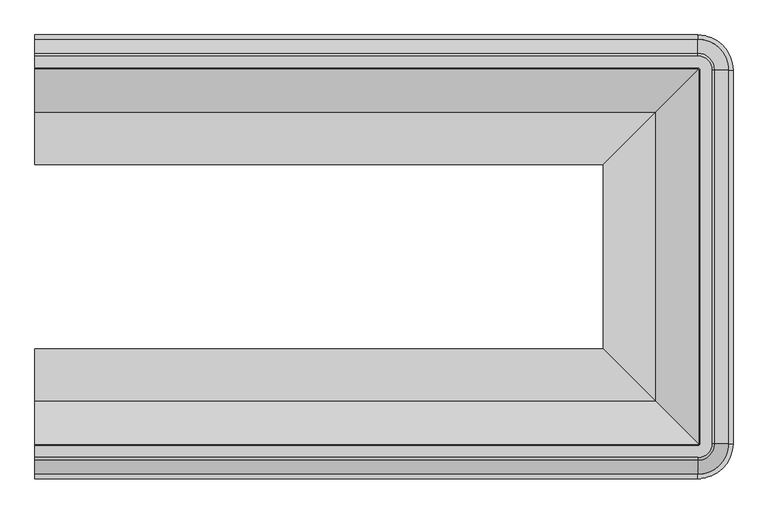
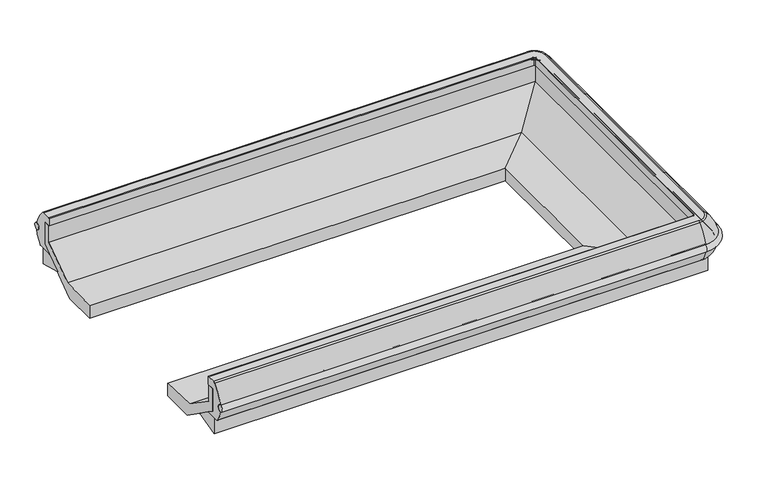
"""IFC4 building model written with IfcOpenShell, lengths in millimetres: proxy geometry."""

from ifc_helpers import new_model, si_unit, point, frame, origin, place, context, project, spatial, polyline, circle_curve, ellipse_curve, trimmed, faceted_brep, source, transform, mapped, element, save
from ifc_brep_helpers import plane_surface, cylinder_surface, revolved_surface, advanced_brep


def mechanical_equipment_5f012815(model_context):
    return source(origin(), model_context, "Body", "SolidModel", [
        advanced_brep(
        [(0.0, -364.6063208, 602.1833335), (0.0, -367.261694, 567.3111181), (2432.1002227, -364.6063208, 602.1833335), (2432.1002227, -367.261694, 567.3111181), (2542.3829333, -477.5444046, 567.3111181), (2545.0383065, -477.5444046, 602.1833335), (2545.0383065, -1849.24485, 602.1833335), (2542.3829333, -1849.24485, 567.3111181), (2432.1002227, -1959.5275606, 567.3111181), (2432.1002227, -1962.1829338, 602.1833335), (0.0, -1962.1829338, 602.1833335), (0.0, -1959.5275606, 567.3111181)],
        [
            (0, 1, circle_curve(frame((0.0, -366.1293194, 584.762098), z_axis=(-1.0, 0.0, 0.0), x_axis=(0.0, 1.0, 0.0)), 17.4876806)),
            (1, 0, circle_curve(frame((0.0, -366.2319692, 584.7699144), z_axis=(-1.0, 0.0, 0.0), x_axis=(0.0, 1.0, 0.0)), 17.4891366)),
            (0, 2),
            (2, 3, circle_curve(frame((2432.1002227, -366.1293194, 584.762098), z_axis=(-1.0, 0.0, 0.0), x_axis=(0.0, 1.0, 0.0)), 17.4876806)),
            (3, 1),
            (3, 2, circle_curve(frame((2432.1002227, -366.2319692, 584.7699144), z_axis=(-1.0, 0.0, 0.0), x_axis=(0.0, 1.0, 0.0)), 17.4891366)),
            (4, 3, circle_curve(frame((2432.1002227, -477.5444046, 567.3111181), z_axis=(0.0, 0.0, 1.0), x_axis=(0.0, 1.0, 0.0)), 110.2827105)),
            (2, 5, circle_curve(frame((2432.1002227, -477.5444046, 602.1833335), z_axis=(0.0, 0.0, -1.0), x_axis=(0.0, 1.0, 0.0)), 112.9380838)),
            (5, 4, circle_curve(frame((2543.5153079, -477.5444046, 584.762098), z_axis=(0.0, 1.0, 0.0), x_axis=(1.0, 0.0, 0.0)), 17.4876806)),
            (4, 5, circle_curve(frame((2543.4126581, -477.5444046, 584.7699144), z_axis=(0.0, 1.0, 0.0), x_axis=(1.0, 0.0, 0.0)), 17.4891366)),
            (5, 6),
            (6, 7, circle_curve(frame((2543.5153079, -1849.24485, 584.762098), z_axis=(0.0, 1.0, 0.0), x_axis=(1.0, 0.0, 0.0)), 17.4876806)),
            (7, 4),
            (7, 6, circle_curve(frame((2543.4126581, -1849.24485, 584.7699144), z_axis=(0.0, 1.0, 0.0), x_axis=(1.0, 0.0, 0.0)), 17.4891366)),
            (8, 7, circle_curve(frame((2432.1002227, -1849.24485, 567.3111181), z_axis=(0.0, 0.0, 1.0), x_axis=(1.0, 0.0, 0.0)), 110.2827105)),
            (6, 9, circle_curve(frame((2432.1002227, -1849.24485, 602.1833335), z_axis=(0.0, 0.0, -1.0), x_axis=(1.0, 0.0, 0.0)), 112.9380838)),
            (9, 8, circle_curve(frame((2432.1002227, -1960.6599352, 584.762098), z_axis=(1.0, 0.0, 0.0), x_axis=(0.0, -1.0, 0.0)), 17.4876806)),
            (8, 9, circle_curve(frame((2432.1002227, -1960.5572854, 584.7699144), z_axis=(1.0, 0.0, 0.0), x_axis=(0.0, -1.0, 0.0)), 17.4891366)),
            (10, 11, circle_curve(frame((0.0, -1960.5572854, 584.7699144), z_axis=(-1.0, 0.0, 0.0), x_axis=(0.0, -1.0, 0.0)), 17.4891366)),
            (11, 10, circle_curve(frame((0.0, -1960.6599352, 584.762098), z_axis=(-1.0, 0.0, 0.0), x_axis=(0.0, -1.0, 0.0)), 17.4876806)),
            (9, 10),
            (11, 8),
        ],
        [
            plane_surface(frame((0.0, -401.3444046, 0.0), z_axis=(-1.0, 0.0, 0.0), x_axis=(0.0, 0.0, 1.0))),
            cylinder_surface(frame((0.0, -366.1293194, 584.762098), z_axis=(-1.0, 0.0, 0.0), x_axis=(0.0, 1.0, 0.0)), 17.4876806),
            cylinder_surface(frame((0.0, -366.2319692, 584.7699144), z_axis=(-1.0, 0.0, 0.0), x_axis=(0.0, 1.0, 0.0)), 17.4891366),
            revolved_surface(trimmed(ellipse_curve(frame((2432.1002227, -366.1293194, 584.762098), z_axis=(-1.0, 0.0, 0.0), x_axis=(0.0, 1.0, 0.0)), 17.4876806, 17.4876806), [point((2432.1002227, -364.6063208, 602.1833335))], [point((2432.1002227, -367.261694, 567.3111181))], True, "CARTESIAN"), (2432.1002227, -477.5444046, 0.0), (0.0, 0.0, -1.0)),
            revolved_surface(trimmed(ellipse_curve(frame((2432.1002227, -366.2319692, 584.7699144), z_axis=(-1.0, 0.0, 0.0), x_axis=(0.0, 1.0, 0.0)), 17.4891366, 17.4891366), [point((2432.1002227, -367.261694, 567.3111181))], [point((2432.1002227, -364.6063208, 602.1833335))], True, "CARTESIAN"), (2432.1002227, -477.5444046, 0.0), (0.0, 0.0, -1.0)),
            cylinder_surface(frame((2543.5153079, -477.5444046, 584.762098), z_axis=(0.0, 1.0, 0.0), x_axis=(1.0, 0.0, 0.0)), 17.4876806),
            cylinder_surface(frame((2543.4126581, -477.5444046, 584.7699144), z_axis=(0.0, 1.0, 0.0), x_axis=(1.0, 0.0, 0.0)), 17.4891366),
            revolved_surface(trimmed(ellipse_curve(frame((2543.5153079, -1849.24485, 584.762098), z_axis=(0.0, 1.0, 0.0), x_axis=(1.0, 0.0, 0.0)), 17.4876806, 17.4876806), [point((2545.0383065, -1849.24485, 602.1833335))], [point((2542.3829333, -1849.24485, 567.3111181))], True, "CARTESIAN"), (2432.1002227, -1849.24485, 0.0), (0.0, 0.0, -1.0)),
            revolved_surface(trimmed(ellipse_curve(frame((2543.4126581, -1849.24485, 584.7699144), z_axis=(0.0, 1.0, 0.0), x_axis=(1.0, 0.0, 0.0)), 17.4891366, 17.4891366), [point((2542.3829333, -1849.24485, 567.3111181))], [point((2545.0383065, -1849.24485, 602.1833335))], True, "CARTESIAN"), (2432.1002227, -1849.24485, 0.0), (0.0, 0.0, -1.0)),
            plane_surface(frame((0.0, -1925.44485, 0.0), z_axis=(-1.0, 0.0, 0.0), x_axis=(0.0, 0.0, 1.0))),
            cylinder_surface(frame((2432.1002227, -1960.6599352, 584.762098), z_axis=(1.0, 0.0, 0.0), x_axis=(0.0, -1.0, 0.0)), 17.4876806),
            cylinder_surface(frame((2432.1002227, -1960.5572854, 584.7699144), z_axis=(1.0, 0.0, 0.0), x_axis=(0.0, -1.0, 0.0)), 17.4891366),
        ],
        [
            (0, [[1, 2]]),
            (1, [[-1, 3, 4, 5]]),
            (2, [[-2, -5, 6, -3]]),
            (3, [[7, -4, 8, 9]]),
            (4, [[-8, -6, -7, 10]]),
            (5, [[-9, 11, 12, 13]]),
            (6, [[-10, -13, 14, -11]]),
            (7, [[15, -12, 16, 17]]),
            (8, [[-16, -14, -15, 18]]),
            (9, [[19, 20]]),
            (10, [[-17, 21, -20, 22]]),
            (11, [[-18, -22, -19, -21]]),
        ],
    ),
        advanced_brep(
        [(0.0, -1932.3707266, 504.5515988), (0.0, -1962.3625666, 567.3742005), (0.0, -1962.1955312, 602.1821529), (0.0, -1911.1133562, 687.1369709), (0.0, -1900.315694, 691.368246), (0.0, -1857.7448417, 691.368246), (0.0, -1854.5728881, 688.1962924), (0.0, -1854.5728881, 649.6873876), (0.0, -1894.6056438, 649.6873876), (0.0, -1894.6056438, 529.929056), (0.0, -1855.3824045, 502.405218), (0.0, -1927.6069109, 502.405218), (2432.1002227, -1932.3707266, 504.5515988), (2432.1002227, -1962.3625666, 567.3742005), (2432.1002227, -1962.1955312, 602.1821529), (2432.1002227, -1911.1133562, 687.1369709), (2432.1002227, -1900.315694, 691.368246), (2483.1710667, -1849.24485, 691.368246), (2483.1710667, -477.5444046, 691.368246), (2432.1002227, -426.4735606, 691.368246), (0.0, -426.4735606, 691.368246), (0.0, -469.0444129, 691.368246), (2432.1002227, -469.0444129, 691.368246), (2440.6002144, -477.5444046, 691.368246), (2440.6002144, -1849.24485, 691.368246), (2432.1002227, -1857.7448417, 691.368246), (2432.1002227, -1854.5728881, 688.1962924), (2432.1002227, -1854.5728881, 649.6873876), (2437.4282608, -1849.24485, 649.6873876), (2437.4282608, -477.5444046, 649.6873876), (2432.1002227, -472.2163665, 649.6873876), (0.0, -472.2163665, 649.6873876), (0.0, -432.1836108, 649.6873876), (2432.1002227, -432.1836108, 649.6873876), (2477.4610165, -477.5444046, 649.6873876), (2477.4610165, -1849.24485, 649.6873876), (2432.1002227, -1894.6056438, 649.6873876), (2432.1002227, -1894.6056438, 529.929056), (2432.1002227, -1855.3824045, 502.405218), (2432.1002227, -1927.6069109, 502.4019738), (2545.2179393, -1849.24485, 567.3742005), (2515.2260993, -1849.24485, 504.5515988), (2545.0509039, -1849.24485, 602.1821529), (2493.9687289, -1849.24485, 687.1369709), (2437.4282608, -1849.24485, 688.1962924), (2477.4610165, -1849.24485, 529.929056), (2438.2377772, -1849.24485, 502.405218), (2510.4622836, -1849.24485, 502.4019738), (2515.2260993, -477.5444046, 504.5515988), (2545.2179393, -477.5444046, 567.3742005), (2545.0509039, -477.5444046, 602.1821529), (2493.9687289, -477.5444046, 687.1369709), (2437.4282608, -477.5444046, 688.1962924), (2477.4610165, -477.5444046, 529.929056), (2438.2377772, -477.5444046, 502.405218), (2510.4622836, -477.5444046, 502.4019738), (2432.1002227, -364.426688, 567.3742005), (2432.1002227, -394.418528, 504.5515988), (2432.1002227, -364.5937234, 602.1821529), (2432.1002227, -415.6758984, 687.1369709), (2432.1002227, -472.2163665, 688.1962924), (2432.1002227, -432.1836108, 529.929056), (2432.1002227, -471.4068501, 502.405218), (2432.1002227, -399.1823437, 502.4019738), (0.0, -394.418528, 504.5515988), (0.0, -399.1823437, 502.4019738), (0.0, -471.4068501, 502.405218), (0.0, -432.1836108, 529.929056), (0.0, -472.2163665, 688.1962924), (0.0, -415.6758984, 687.1369709), (0.0, -364.5937234, 602.1821529), (0.0, -364.426688, 567.3742005)],
        [
            (0, 1, circle_curve(frame((0.0, -1837.1426231, 588.5844274), z_axis=(-1.0, 0.0, 0.0), x_axis=(0.0, 1.0, 0.0)), 127.0035747)),
            (1, 2, circle_curve(frame((0.0, -1960.5572854, 584.7699144), z_axis=(1.0, 0.0, 0.0), x_axis=(0.0, 1.0, 0.0)), 17.4891366)),
            (2, 3, circle_curve(frame((0.0, -1790.3001749, 556.6587336), z_axis=(-1.0, 0.0, 0.0), x_axis=(0.0, 1.0, 0.0)), 177.8212451)),
            (3, 4, circle_curve(frame((0.0, -1900.315694, 675.4754956), z_axis=(-1.0, 0.0, 0.0), x_axis=(0.0, 1.0, 0.0)), 15.8927504)),
            (4, 5),
            (5, 6, circle_curve(frame((0.0, -1857.7448417, 688.1962924), z_axis=(-1.0, 0.0, 0.0), x_axis=(0.0, 1.0, 0.0)), 3.1719536)),
            (6, 7),
            (7, 8),
            (8, 9),
            (9, 10),
            (10, 11),
            (11, 0, circle_curve(frame((0.0, -1927.6069109, 508.7553674), z_axis=(-1.0, 0.0, 0.0), x_axis=(0.0, 1.0, 0.0)), 6.3533936)),
            (0, 12),
            (12, 13, circle_curve(frame((2432.1002227, -1837.1426231, 588.5844274), z_axis=(-1.0, 0.0, 0.0), x_axis=(0.0, 1.0, 0.0)), 127.0035747)),
            (13, 1),
            (13, 14, circle_curve(frame((2432.1002227, -1960.5572854, 584.7699144), z_axis=(1.0, 0.0, 0.0), x_axis=(0.0, 1.0, 0.0)), 17.4891366)),
            (14, 2),
            (14, 15, circle_curve(frame((2432.1002227, -1790.3001749, 556.6587336), z_axis=(-1.0, 0.0, 0.0), x_axis=(0.0, 1.0, 0.0)), 177.8212451)),
            (15, 3),
            (15, 16, circle_curve(frame((2432.1002227, -1900.315694, 675.4754956), z_axis=(-1.0, 0.0, 0.0), x_axis=(0.0, 1.0, 0.0)), 15.8927504)),
            (16, 4),
            (16, 17, circle_curve(frame((2432.1002227, -1849.24485, 691.368246), z_axis=(0.0, 0.0, 1.0), x_axis=(0.0, -1.0, 0.0)), 51.070844)),
            (17, 18),
            (18, 19, circle_curve(frame((2432.1002227, -477.5444046, 691.368246), z_axis=(0.0, 0.0, 1.0), x_axis=(1.0, 0.0, 0.0)), 51.070844)),
            (19, 20),
            (20, 21),
            (21, 22),
            (22, 23, circle_curve(frame((2432.1002227, -477.5444046, 691.368246), z_axis=(0.0, 0.0, -1.0), x_axis=(1.0, 0.0, 0.0)), 8.4999917)),
            (23, 24),
            (24, 25, circle_curve(frame((2432.1002227, -1849.24485, 691.368246), z_axis=(0.0, 0.0, -1.0), x_axis=(0.0, -1.0, 0.0)), 8.4999917)),
            (25, 5),
            (6, 26),
            (26, 27),
            (27, 7),
            (27, 28, circle_curve(frame((2432.1002227, -1849.24485, 649.6873876), z_axis=(0.0, 0.0, 1.0), x_axis=(0.0, -1.0, 0.0)), 5.3280381)),
            (28, 29),
            (29, 30, circle_curve(frame((2432.1002227, -477.5444046, 649.6873876), z_axis=(0.0, 0.0, 1.0), x_axis=(1.0, 0.0, 0.0)), 5.3280381)),
            (30, 31),
            (31, 32),
            (32, 33),
            (33, 34, circle_curve(frame((2432.1002227, -477.5444046, 649.6873876), z_axis=(0.0, 0.0, -1.0), x_axis=(1.0, 0.0, 0.0)), 45.3607938)),
            (34, 35),
            (35, 36, circle_curve(frame((2432.1002227, -1849.24485, 649.6873876), z_axis=(0.0, 0.0, -1.0), x_axis=(0.0, -1.0, 0.0)), 45.3607938)),
            (36, 8),
            (36, 37),
            (37, 9),
            (37, 38),
            (38, 10),
            (11, 39),
            (39, 12, circle_curve(frame((2432.1002227, -1927.6069109, 508.7553674), z_axis=(-1.0, 0.0, 0.0), x_axis=(0.0, 1.0, 0.0)), 6.3533936)),
            (40, 13, circle_curve(frame((2432.1002227, -1849.24485, 567.3742005), z_axis=(0.0, 0.0, -1.0), x_axis=(0.0, -1.0, 0.0)), 113.1177166)),
            (12, 41, circle_curve(frame((2432.1002227, -1849.24485, 504.5515988), z_axis=(0.0, 0.0, 1.0), x_axis=(0.0, -1.0, 0.0)), 83.1258766)),
            (41, 40, circle_curve(frame((2419.9979958, -1849.24485, 588.5844274), z_axis=(0.0, -1.0, 0.0), x_axis=(-1.0, 0.0, 0.0)), 127.0035747)),
            (42, 14, circle_curve(frame((2432.1002227, -1849.24485, 602.1821529), z_axis=(0.0, 0.0, -1.0), x_axis=(0.0, -1.0, 0.0)), 112.9506811)),
            (40, 42, circle_curve(frame((2543.4126581, -1849.24485, 584.7699144), z_axis=(0.0, 1.0, 0.0), x_axis=(-1.0, 0.0, 0.0)), 17.4891366)),
            (43, 15, circle_curve(frame((2432.1002227, -1849.24485, 687.1369709), z_axis=(0.0, 0.0, -1.0), x_axis=(0.0, -1.0, 0.0)), 61.8685062)),
            (42, 43, circle_curve(frame((2373.1555476, -1849.24485, 556.6587336), z_axis=(0.0, -1.0, 0.0), x_axis=(-1.0, 0.0, 0.0)), 177.8212451)),
            (43, 17, circle_curve(frame((2483.1710667, -1849.24485, 675.4754956), z_axis=(0.0, -1.0, 0.0), x_axis=(-1.0, 0.0, 0.0)), 15.8927504)),
            (26, 44, circle_curve(frame((2432.1002227, -1849.24485, 688.1962924), z_axis=(0.0, 0.0, 1.0), x_axis=(0.0, -1.0, 0.0)), 5.3280381)),
            (44, 28),
            (45, 37, circle_curve(frame((2432.1002227, -1849.24485, 529.929056), z_axis=(0.0, 0.0, -1.0), x_axis=(0.0, -1.0, 0.0)), 45.3607938)),
            (35, 45),
            (46, 38, circle_curve(frame((2432.1002227, -1849.24485, 502.405218), z_axis=(0.0, 0.0, -1.0), x_axis=(0.0, -1.0, 0.0)), 6.1375545)),
            (45, 46),
            (39, 47, circle_curve(frame((2432.1002227, -1849.24485, 502.4019738), z_axis=(0.0, 0.0, 1.0), x_axis=(0.0, -1.0, 0.0)), 78.3620609)),
            (47, 41, circle_curve(frame((2510.4622836, -1849.24485, 508.7553674), z_axis=(0.0, -1.0, 0.0), x_axis=(-1.0, 0.0, 0.0)), 6.3533936)),
            (41, 48),
            (48, 49, circle_curve(frame((2419.9979958, -477.5444046, 588.5844274), z_axis=(0.0, -1.0, 0.0), x_axis=(-1.0, 0.0, 0.0)), 127.0035747)),
            (49, 40),
            (49, 50, circle_curve(frame((2543.4126581, -477.5444046, 584.7699144), z_axis=(0.0, 1.0, 0.0), x_axis=(-1.0, 0.0, 0.0)), 17.4891366)),
            (50, 42),
            (50, 51, circle_curve(frame((2373.1555476, -477.5444046, 556.6587336), z_axis=(0.0, -1.0, 0.0), x_axis=(-1.0, 0.0, 0.0)), 177.8212451)),
            (51, 43),
            (51, 18, circle_curve(frame((2483.1710667, -477.5444046, 675.4754956), z_axis=(0.0, -1.0, 0.0), x_axis=(-1.0, 0.0, 0.0)), 15.8927504)),
            (44, 52),
            (52, 29),
            (34, 53),
            (53, 45),
            (53, 54),
            (54, 46),
            (47, 55),
            (55, 48, circle_curve(frame((2510.4622836, -477.5444046, 508.7553674), z_axis=(0.0, -1.0, 0.0), x_axis=(-1.0, 0.0, 0.0)), 6.3533936)),
            (56, 49, circle_curve(frame((2432.1002227, -477.5444046, 567.3742005), z_axis=(0.0, 0.0, -1.0), x_axis=(1.0, 0.0, 0.0)), 113.1177166)),
            (48, 57, circle_curve(frame((2432.1002227, -477.5444046, 504.5515988), z_axis=(0.0, 0.0, 1.0), x_axis=(1.0, 0.0, 0.0)), 83.1258766)),
            (57, 56, circle_curve(frame((2432.1002227, -489.6466315, 588.5844274), z_axis=(1.0, 0.0, 0.0), x_axis=(0.0, -1.0, 0.0)), 127.0035747)),
            (58, 50, circle_curve(frame((2432.1002227, -477.5444046, 602.1821529), z_axis=(0.0, 0.0, -1.0), x_axis=(1.0, 0.0, 0.0)), 112.9506811)),
            (56, 58, circle_curve(frame((2432.1002227, -366.2319692, 584.7699144), z_axis=(-1.0, 0.0, 0.0), x_axis=(0.0, -1.0, 0.0)), 17.4891366)),
            (59, 51, circle_curve(frame((2432.1002227, -477.5444046, 687.1369709), z_axis=(0.0, 0.0, -1.0), x_axis=(1.0, 0.0, 0.0)), 61.8685062)),
            (58, 59, circle_curve(frame((2432.1002227, -536.4890797, 556.6587336), z_axis=(1.0, 0.0, 0.0), x_axis=(0.0, -1.0, 0.0)), 177.8212451)),
            (59, 19, circle_curve(frame((2432.1002227, -426.4735606, 675.4754956), z_axis=(1.0, 0.0, 0.0), x_axis=(0.0, -1.0, 0.0)), 15.8927504)),
            (52, 60, circle_curve(frame((2432.1002227, -477.5444046, 688.1962924), z_axis=(0.0, 0.0, 1.0), x_axis=(1.0, 0.0, 0.0)), 5.3280381)),
            (60, 30),
            (61, 53, circle_curve(frame((2432.1002227, -477.5444046, 529.929056), z_axis=(0.0, 0.0, -1.0), x_axis=(1.0, 0.0, 0.0)), 45.3607938)),
            (33, 61),
            (62, 54, circle_curve(frame((2432.1002227, -477.5444046, 502.405218), z_axis=(0.0, 0.0, -1.0), x_axis=(1.0, 0.0, 0.0)), 6.1375545)),
            (61, 62),
            (55, 63, circle_curve(frame((2432.1002227, -477.5444046, 502.4019738), z_axis=(0.0, 0.0, 1.0), x_axis=(1.0, 0.0, 0.0)), 78.3620609)),
            (63, 57, circle_curve(frame((2432.1002227, -399.1823437, 508.7553674), z_axis=(1.0, 0.0, 0.0), x_axis=(0.0, -1.0, 0.0)), 6.3533936)),
            (64, 65, circle_curve(frame((0.0, -399.1823437, 508.7553674), z_axis=(-1.0, 0.0, 0.0), x_axis=(0.0, -1.0, 0.0)), 6.3533936)),
            (65, 66),
            (66, 67),
            (67, 32),
            (31, 68),
            (68, 21, circle_curve(frame((0.0, -469.0444129, 688.1962924), z_axis=(-1.0, 0.0, 0.0), x_axis=(0.0, -1.0, 0.0)), 3.1719536)),
            (20, 69, circle_curve(frame((0.0, -426.4735606, 675.4754956), z_axis=(-1.0, 0.0, 0.0), x_axis=(0.0, -1.0, 0.0)), 15.8927504)),
            (69, 70, circle_curve(frame((0.0, -536.4890797, 556.6587336), z_axis=(-1.0, 0.0, 0.0), x_axis=(0.0, -1.0, 0.0)), 177.8212451)),
            (70, 71, circle_curve(frame((0.0, -366.2319692, 584.7699144), z_axis=(1.0, 0.0, 0.0), x_axis=(0.0, -1.0, 0.0)), 17.4891366)),
            (71, 64, circle_curve(frame((0.0, -489.6466315, 588.5844274), z_axis=(-1.0, 0.0, 0.0), x_axis=(0.0, -1.0, 0.0)), 127.0035747)),
            (57, 64),
            (71, 56),
            (70, 58),
            (69, 59),
            (60, 68),
            (67, 61),
            (66, 62),
            (63, 65),
            (26, 25, circle_curve(frame((2432.1002227, -1857.7448417, 688.1962924), z_axis=(1.0, 0.0, 0.0), x_axis=(0.0, 1.0, 0.0)), 3.1719536)),
            (24, 44, circle_curve(frame((2440.6002144, -1849.24485, 688.1962924), z_axis=(0.0, -1.0, 0.0), x_axis=(-1.0, 0.0, 0.0)), 3.1719536)),
            (23, 52, circle_curve(frame((2440.6002144, -477.5444046, 688.1962924), z_axis=(0.0, -1.0, 0.0), x_axis=(-1.0, 0.0, 0.0)), 3.1719536)),
            (22, 60, circle_curve(frame((2432.1002227, -469.0444129, 688.1962924), z_axis=(1.0, 0.0, 0.0), x_axis=(0.0, -1.0, 0.0)), 3.1719536)),
        ],
        [
            plane_surface(frame((0.0, -1925.44485, 0.0), z_axis=(-1.0, 0.0, 0.0), x_axis=(0.0, 0.0, 1.0))),
            cylinder_surface(frame((0.0, -1837.1426231, 588.5844274), z_axis=(-1.0, 0.0, 0.0), x_axis=(0.0, 1.0, 0.0)), 127.0035747),
            revolved_surface(polyline([(2432.1002227, -1943.0681488, 584.7699144), (0.0, -1943.0681488, 584.7699144)]), (0.0, -1960.5572854, 584.7699144), (1.0, 0.0, 0.0)),
            cylinder_surface(frame((0.0, -1790.3001749, 556.6587336), z_axis=(-1.0, 0.0, 0.0), x_axis=(0.0, 1.0, 0.0)), 177.8212451),
            cylinder_surface(frame((0.0, -1900.315694, 675.4754956), z_axis=(-1.0, 0.0, 0.0), x_axis=(0.0, 1.0, 0.0)), 15.8927504),
            plane_surface(frame((0.0, -1900.315694, 691.368246), z_axis=(0.0, 0.0, 1.0), x_axis=(1.0, 0.0, 0.0))),
            plane_surface(frame((0.0, -1854.5728881, 688.1962924), z_axis=(0.0, 1.0, 0.0), x_axis=(1.0, 0.0, 0.0))),
            plane_surface(frame((0.0, -1854.5728881, 649.6873876), z_axis=(0.0, 0.0, -1.0), x_axis=(1.0, 0.0, 0.0))),
            plane_surface(frame((0.0, -1894.6056438, 649.6873876), z_axis=(0.0, 1.0, 0.0), x_axis=(1.0, 0.0, 0.0))),
            plane_surface(frame((0.0, -1894.6056438, 529.929056), z_axis=(0.0, 0.5744083781667253, 0.8185688823134388), x_axis=(1.0, 0.0, 0.0))),
            cylinder_surface(frame((0.0, -1927.6069109, 508.7553674), z_axis=(-1.0, 0.0, 0.0), x_axis=(0.0, 1.0, 0.0)), 6.3533936),
            revolved_surface(trimmed(ellipse_curve(frame((2432.1002227, -1837.1426231, 588.5844274), z_axis=(-1.0, 0.0, 0.0), x_axis=(0.0, 1.0, 0.0)), 127.0035747, 127.0035747), [point((2432.1002227, -1932.3707266, 504.5515988))], [point((2432.1002227, -1962.3625666, 567.3742005))], True, "CARTESIAN"), (2432.1002227, -1849.24485, 0.0), (0.0, 0.0, 1.0)),
            revolved_surface(trimmed(ellipse_curve(frame((2432.1002227, -1960.5572854, 584.7699144), z_axis=(1.0, 0.0, 0.0), x_axis=(0.0, 1.0, 0.0)), 17.4891366, 17.4891366), [point((2432.1002227, -1962.3625666, 567.3742005))], [point((2432.1002227, -1962.1955312, 602.1821529))], True, "CARTESIAN"), (2432.1002227, -1849.24485, 0.0), (0.0, 0.0, 1.0)),
            revolved_surface(trimmed(ellipse_curve(frame((2432.1002227, -1790.3001749, 556.6587336), z_axis=(-1.0, 0.0, 0.0), x_axis=(0.0, 1.0, 0.0)), 177.8212451, 177.8212451), [point((2432.1002227, -1962.1955312, 602.1821529))], [point((2432.1002227, -1911.1133562, 687.1369709))], True, "CARTESIAN"), (2432.1002227, -1849.24485, 0.0), (0.0, 0.0, 1.0)),
            revolved_surface(trimmed(ellipse_curve(frame((2432.1002227, -1900.315694, 675.4754956), z_axis=(-1.0, 0.0, 0.0), x_axis=(0.0, 1.0, 0.0)), 15.8927504, 15.8927504), [point((2432.1002227, -1911.1133562, 687.1369709))], [point((2432.1002227, -1900.315694, 691.368246))], True, "CARTESIAN"), (2432.1002227, -1849.24485, 0.0), (0.0, 0.0, 1.0)),
            revolved_surface(polyline([(2432.1002227, -1854.5728881, 688.1962924), (2432.1002227, -1854.5728881, 649.6873876)]), (2432.1002227, -1849.24485, 0.0), (0.0, 0.0, 1.0)),
            revolved_surface(polyline([(2432.1002227, -1894.6056438, 649.6873876), (2432.1002227, -1894.6056438, 529.929056)]), (2432.1002227, -1849.24485, 0.0), (0.0, 0.0, 1.0)),
            revolved_surface(polyline([(2432.1002227, -1894.6056438, 529.929056), (2432.1002227, -1855.3824045, 502.405218)]), (2432.1002227, -1849.24485, 0.0), (0.0, 0.0, 1.0)),
            revolved_surface(trimmed(ellipse_curve(frame((2432.1002227, -1927.6069109, 508.7553674), z_axis=(-1.0, 0.0, 0.0), x_axis=(0.0, 1.0, 0.0)), 6.3533936, 6.3533936), [point((2432.1002227, -1927.6069109, 502.4019738))], [point((2432.1002227, -1932.3707266, 504.5515988))], True, "CARTESIAN"), (2432.1002227, -1849.24485, 0.0), (0.0, 0.0, 1.0)),
            cylinder_surface(frame((2419.9979958, -1849.24485, 588.5844274), z_axis=(0.0, -1.0, 0.0), x_axis=(-1.0, 0.0, 0.0)), 127.0035747),
            revolved_surface(polyline([(2525.9235215, -477.5444046, 584.7699144), (2525.9235215, -1849.24485, 584.7699144)]), (2543.4126581, -1849.24485, 584.7699144), (0.0, 1.0, 0.0)),
            cylinder_surface(frame((2373.1555476, -1849.24485, 556.6587336), z_axis=(0.0, -1.0, 0.0), x_axis=(-1.0, 0.0, 0.0)), 177.8212451),
            cylinder_surface(frame((2483.1710667, -1849.24485, 675.4754956), z_axis=(0.0, -1.0, 0.0), x_axis=(-1.0, 0.0, 0.0)), 15.8927504),
            plane_surface(frame((2437.4282608, -1849.24485, 688.1962924), z_axis=(-1.0, 0.0, 0.0), x_axis=(0.0, 1.0, 0.0))),
            plane_surface(frame((2477.4610165, -1849.24485, 649.6873876), z_axis=(-1.0, 0.0, 0.0), x_axis=(0.0, 1.0, 0.0))),
            plane_surface(frame((2477.4610165, -1849.24485, 529.929056), z_axis=(-0.5744083781667253, 0.0, 0.8185688823134388), x_axis=(0.0, 1.0, 0.0))),
            cylinder_surface(frame((2510.4622836, -1849.24485, 508.7553674), z_axis=(0.0, -1.0, 0.0), x_axis=(-1.0, 0.0, 0.0)), 6.3533936),
            revolved_surface(trimmed(ellipse_curve(frame((2419.9979958, -477.5444046, 588.5844274), z_axis=(0.0, -1.0, 0.0), x_axis=(-1.0, 0.0, 0.0)), 127.0035747, 127.0035747), [point((2515.2260993, -477.5444046, 504.5515988))], [point((2545.2179393, -477.5444046, 567.3742005))], True, "CARTESIAN"), (2432.1002227, -477.5444046, 0.0), (0.0, 0.0, 1.0)),
            revolved_surface(trimmed(ellipse_curve(frame((2543.4126581, -477.5444046, 584.7699144), z_axis=(0.0, 1.0, 0.0), x_axis=(-1.0, 0.0, 0.0)), 17.4891366, 17.4891366), [point((2545.2179393, -477.5444046, 567.3742005))], [point((2545.0509039, -477.5444046, 602.1821529))], True, "CARTESIAN"), (2432.1002227, -477.5444046, 0.0), (0.0, 0.0, 1.0)),
            revolved_surface(trimmed(ellipse_curve(frame((2373.1555476, -477.5444046, 556.6587336), z_axis=(0.0, -1.0, 0.0), x_axis=(-1.0, 0.0, 0.0)), 177.8212451, 177.8212451), [point((2545.0509039, -477.5444046, 602.1821529))], [point((2493.9687289, -477.5444046, 687.1369709))], True, "CARTESIAN"), (2432.1002227, -477.5444046, 0.0), (0.0, 0.0, 1.0)),
            revolved_surface(trimmed(ellipse_curve(frame((2483.1710667, -477.5444046, 675.4754956), z_axis=(0.0, -1.0, 0.0), x_axis=(-1.0, 0.0, 0.0)), 15.8927504, 15.8927504), [point((2493.9687289, -477.5444046, 687.1369709))], [point((2483.1710667, -477.5444046, 691.368246))], True, "CARTESIAN"), (2432.1002227, -477.5444046, 0.0), (0.0, 0.0, 1.0)),
            revolved_surface(polyline([(2437.4282608, -477.5444046, 688.1962924), (2437.4282608, -477.5444046, 649.6873876)]), (2432.1002227, -477.5444046, 0.0), (0.0, 0.0, 1.0)),
            revolved_surface(polyline([(2477.4610165, -477.5444046, 649.6873876), (2477.4610165, -477.5444046, 529.929056)]), (2432.1002227, -477.5444046, 0.0), (0.0, 0.0, 1.0)),
            revolved_surface(polyline([(2477.4610165, -477.5444046, 529.929056), (2438.2377772, -477.5444046, 502.405218)]), (2432.1002227, -477.5444046, 0.0), (0.0, 0.0, 1.0)),
            revolved_surface(trimmed(ellipse_curve(frame((2510.4622836, -477.5444046, 508.7553674), z_axis=(0.0, -1.0, 0.0), x_axis=(-1.0, 0.0, 0.0)), 6.3533936, 6.3533936), [point((2510.4622836, -477.5444046, 502.4019738))], [point((2515.2260993, -477.5444046, 504.5515988))], True, "CARTESIAN"), (2432.1002227, -477.5444046, 0.0), (0.0, 0.0, 1.0)),
            plane_surface(frame((0.0, -401.3444046, 0.0), z_axis=(-1.0, 0.0, 0.0), x_axis=(0.0, 0.0, 1.0))),
            cylinder_surface(frame((2432.1002227, -489.6466315, 588.5844274), z_axis=(1.0, 0.0, 0.0), x_axis=(0.0, -1.0, 0.0)), 127.0035747),
            revolved_surface(polyline([(0.0, -383.7211058, 584.7699144), (2432.1002227, -383.7211058, 584.7699144)]), (2432.1002227, -366.2319692, 584.7699144), (-1.0, 0.0, 0.0)),
            cylinder_surface(frame((2432.1002227, -536.4890797, 556.6587336), z_axis=(1.0, 0.0, 0.0), x_axis=(0.0, -1.0, 0.0)), 177.8212451),
            cylinder_surface(frame((2432.1002227, -426.4735606, 675.4754956), z_axis=(1.0, 0.0, 0.0), x_axis=(0.0, -1.0, 0.0)), 15.8927504),
            plane_surface(frame((2432.1002227, -472.2163665, 688.1962924), z_axis=(0.0, -1.0, 0.0), x_axis=(-1.0, 0.0, 0.0))),
            plane_surface(frame((2432.1002227, -432.1836108, 649.6873876), z_axis=(0.0, -1.0, 0.0), x_axis=(-1.0, 0.0, 0.0))),
            plane_surface(frame((2432.1002227, -432.1836108, 529.929056), z_axis=(0.0, -0.5744083781667253, 0.8185688823134388), x_axis=(-1.0, 0.0, 0.0))),
            cylinder_surface(frame((2432.1002227, -399.1823437, 508.7553674), z_axis=(1.0, 0.0, 0.0), x_axis=(0.0, -1.0, 0.0)), 6.3533936),
            plane_surface(frame((0.0, -1855.3824045, 502.405218), z_axis=(0.0, 0.0, -1.0), x_axis=(1.0, 0.0, 0.0))),
            revolved_surface(trimmed(ellipse_curve(frame((2432.1002227, -1857.7448417, 688.1962924), z_axis=(-1.0, 0.0, 0.0), x_axis=(0.0, 1.0, 0.0)), 3.1719536, 3.1719536), [point((2432.1002227, -1857.7448417, 691.368246))], [point((2432.1002227, -1854.5728881, 688.1962924))], True, "CARTESIAN"), (2432.1002227, -1849.24485, 0.0), (0.0, 0.0, 1.0)),
            cylinder_surface(frame((2440.6002144, -1849.24485, 688.1962924), z_axis=(0.0, -1.0, 0.0), x_axis=(-1.0, 0.0, 0.0)), 3.1719536),
            revolved_surface(trimmed(ellipse_curve(frame((2440.6002144, -477.5444046, 688.1962924), z_axis=(0.0, -1.0, 0.0), x_axis=(-1.0, 0.0, 0.0)), 3.1719536, 3.1719536), [point((2440.6002144, -477.5444046, 691.368246))], [point((2437.4282608, -477.5444046, 688.1962924))], True, "CARTESIAN"), (2432.1002227, -477.5444046, 0.0), (0.0, 0.0, 1.0)),
            cylinder_surface(frame((2432.1002227, -469.0444129, 688.1962924), z_axis=(1.0, 0.0, 0.0), x_axis=(0.0, -1.0, 0.0)), 3.1719536),
            cylinder_surface(frame((0.0, -1857.7448417, 688.1962924), z_axis=(-1.0, 0.0, 0.0), x_axis=(0.0, 1.0, 0.0)), 3.1719536),
        ],
        [
            (0, [[1, 2, 3, 4, 5, 6, 7, 8, 9, 10, 11, 12]]),
            (1, [[-1, 13, 14, 15]]),
            (2, [[-2, -15, 16, 17]]),
            (3, [[-3, -17, 18, 19]]),
            (4, [[-4, -19, 20, 21]]),
            (5, [[-5, -21, 22, 23, 24, 25, 26, 27, 28, 29, 30, 31]]),
            (6, [[-7, 32, 33, 34]]),
            (7, [[-8, -34, 35, 36, 37, 38, 39, 40, 41, 42, 43, 44]]),
            (8, [[-9, -44, 45, 46]]),
            (9, [[-10, -46, 47, 48]]),
            (10, [[-12, 49, 50, -13]]),
            (11, [[51, -14, 52, 53]]),
            (12, [[54, -16, -51, 55]]),
            (13, [[56, -18, -54, 57]]),
            (14, [[-22, -20, -56, 58]]),
            (15, [[-35, -33, 59, 60]]),
            (16, [[61, -45, -43, 62]]),
            (17, [[63, -47, -61, 64]]),
            (18, [[-52, -50, 65, 66]]),
            (19, [[-53, 67, 68, 69]]),
            (20, [[-55, -69, 70, 71]]),
            (21, [[-57, -71, 72, 73]]),
            (22, [[-58, -73, 74, -23]]),
            (23, [[-60, 75, 76, -36]]),
            (24, [[-62, -42, 77, 78]]),
            (25, [[-64, -78, 79, 80]]),
            (26, [[-66, 81, 82, -67]]),
            (27, [[83, -68, 84, 85]]),
            (28, [[86, -70, -83, 87]]),
            (29, [[88, -72, -86, 89]]),
            (30, [[-24, -74, -88, 90]]),
            (31, [[-37, -76, 91, 92]]),
            (32, [[93, -77, -41, 94]]),
            (33, [[95, -79, -93, 96]]),
            (34, [[-84, -82, 97, 98]]),
            (35, [[99, 100, 101, 102, -39, 103, 104, -26, 105, 106, 107, 108]]),
            (36, [[-85, 109, -108, 110]]),
            (37, [[-87, -110, -107, 111]]),
            (38, [[-89, -111, -106, 112]]),
            (39, [[-90, -112, -105, -25]]),
            (40, [[-92, 113, -103, -38]]),
            (41, [[-94, -40, -102, 114]]),
            (42, [[-96, -114, -101, 115]]),
            (43, [[-98, 116, -99, -109]]),
            (44, [[-48, -63, -80, -95, -115, -100, -116, -97, -81, -65, -49, -11]]),
            (45, [[-59, 117, -30, 118]]),
            (46, [[-118, -29, 119, -75]]),
            (47, [[-91, -119, -28, 120]]),
            (48, [[-120, -27, -104, -113]]),
            (49, [[-6, -31, -117, -32]]),
        ],
    ),
        faceted_brep([(0.0, -1855.3777812, 502.405218), (0.0, -1781.4205446, 450.5138342), (0.0, -1906.609561, 418.2976265), (0.0, -1906.609561, 502.405218), (2474.045373, -1906.609561, 502.405218), (2474.045373, -420.1796936, 502.405218), (0.0, -420.1796936, 502.405218), (0.0, -471.4114734, 502.405218), (2422.8135932, -471.4114734, 502.405218), (2422.8135932, -1855.3777812, 502.405218), (2348.8563566, -1781.4205446, 450.5138342), (2474.045373, -1906.609561, 418.2976265), (2348.8563566, -545.36871, 450.5138342), (2474.045373, -420.1796936, 418.2976265), (0.0, -420.1796936, 418.2976265), (0.0, -545.36871, 450.5138342)], [[[0, 1, 2, 3]], [[0, 3, 4, 5, 6, 7, 8, 9]], [[1, 0, 9, 10]], [[2, 1, 10, 11]], [[10, 9, 8, 12]], [[11, 10, 12, 13]], [[7, 6, 14, 15]], [[12, 8, 7, 15]], [[13, 12, 15, 14]], [[3, 2, 11, 4]], [[4, 11, 13, 5]], [[5, 13, 14, 6]]]),
        faceted_brep([(0.0, -1673.36748, 374.65), (0.0, -1894.6056438, 529.8796301), (0.0, -1894.6056438, 649.6873876), (0.0, -1856.8739438, 649.6873876), (0.0, -1856.8739438, 561.0048878), (0.0, -1693.8123969, 446.8279354), (0.0, -1501.8470159, 439.7810985), (0.0, -1501.8470159, 374.65), (2256.2228527, -1673.36748, 374.65), (2477.4610165, -1894.6056438, 529.8796301), (2477.4610165, -1894.6056438, 649.6873876), (2477.4610165, -432.1836108, 649.6873876), (0.0, -432.1836108, 649.6873876), (0.0, -469.9153108, 649.6873876), (2439.7293165, -469.9153108, 649.6873876), (2439.7293165, -1856.8739438, 649.6873876), (2439.7293165, -1856.8739438, 561.0048878), (2276.6677696, -1693.8123969, 446.8279354), (2084.7023886, -1501.8470159, 439.7810985), (2084.7023886, -1501.8470159, 374.65), (2084.7023886, -824.9422387, 374.65), (0.0, -824.9422387, 374.65), (0.0, -653.4217746, 374.65), (2256.2228527, -653.4217746, 374.65), (2477.4610165, -432.1836108, 529.8796301), (2439.7293165, -469.9153108, 561.0048878), (2276.6677696, -632.9768577, 446.8279354), (2084.7023886, -824.9422387, 439.7810985), (0.0, -824.9422387, 439.7810985), (0.0, -632.9768577, 446.8279354), (0.0, -469.9153108, 561.0048878), (0.0, -432.1836108, 529.8796301)], [[[0, 1, 2, 3, 4, 5, 6, 7]], [[1, 0, 8, 9]], [[2, 1, 9, 10]], [[3, 2, 10, 11, 12, 13, 14, 15]], [[4, 3, 15, 16]], [[5, 4, 16, 17]], [[6, 5, 17, 18]], [[7, 6, 18, 19]], [[0, 7, 19, 20, 21, 22, 23, 8]], [[9, 8, 23, 24]], [[10, 9, 24, 11]], [[16, 15, 14, 25]], [[17, 16, 25, 26]], [[18, 17, 26, 27]], [[19, 18, 27, 20]], [[22, 21, 28, 29, 30, 13, 12, 31]], [[24, 23, 22, 31]], [[11, 24, 31, 12]], [[25, 14, 13, 30]], [[26, 25, 30, 29]], [[27, 26, 29, 28]], [[20, 27, 28, 21]]]),
    ])


if __name__ == "__main__":
    model = new_model("IFC4")
    model_context = context("Model", 3, world=origin())
    ifc_project = project(units=[si_unit("LENGTHUNIT", "METRE", prefix="MILLI")], contexts=[model_context])
    site = spatial("IfcSite", under=ifc_project)
    building = spatial("IfcBuilding", under=site)
    placement = place(None, origin())
    mechanical_equipment_shape = mechanical_equipment_5f012815(model_context)
    element("IfcBuildingElementProxy", 1, Name="Mechanical Equipment", at=placement, inside=building, context=model_context, shape_type="MappedRepresentation", body=[
        mapped(mechanical_equipment_shape, transform((0.0, 0.0, 0.0), x_axis=(1.0, 0.0, 0.0), y_axis=(0.0, 1.0, 0.0), z_axis=(0.0, 0.0, 1.0))),
    ])
    save(model, "model.ifc")
